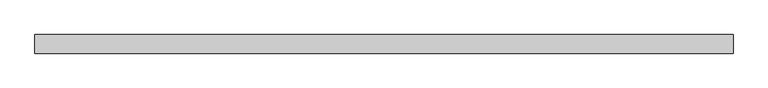
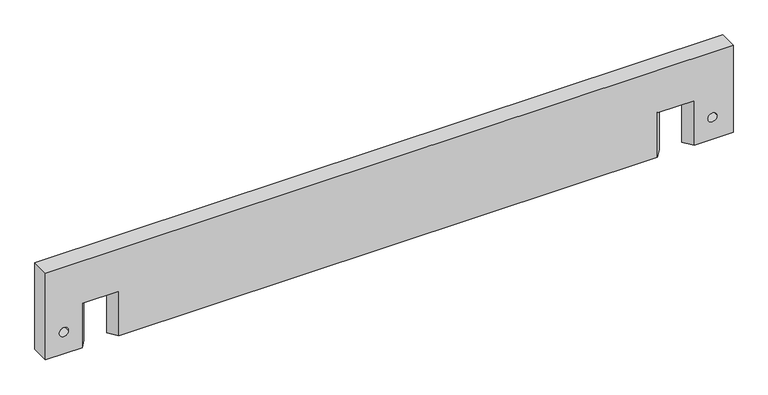
"""IFC4 building model written with IfcOpenShell, lengths in millimetres: proxy geometry."""

from ifc_helpers import new_model, si_unit, frame, origin, place, context, project, spatial, polyline, circle_curve, source, transform, mapped, element, save
from ifc_brep_helpers import plane_surface, revolved_surface, advanced_brep


def generic_models_4d159e47(model_context):
    return source(origin(), model_context, "Body", "AdvancedBrep", [
        advanced_brep(
        [(752.4620856, 20.0, 200.0), (-747.5379144, 20.0, 200.0), (-747.5379144, -20.0, 200.0), (752.4620856, -20.0, 200.0), (752.4620856, 20.0, 0.0), (752.4620856, -20.0, 0.0), (667.5379144, -20.0, 0.0), (652.4668334, 0.0, 0.0), (667.5379144, 20.0, 0.0), (-747.5379144, -20.0, 0.0), (-747.5379144, 20.0, 0.0), (-667.5379144, 20.0, 0.0), (-652.4668334, 0.0, 0.0), (-667.5379144, -20.0, 0.0), (-587.5379144, -20.0, 0.0), (-602.6089954, 0.0, 0.0), (-587.5379144, 20.0, 0.0), (587.5379144, 20.0, 0.0), (602.6089954, 0.0, 0.0), (587.5379144, -20.0, 0.0), (667.5379144, 20.0, 102.0), (587.5379144, 20.0, 102.0), (-587.5379144, 20.0, 102.0), (-667.5379144, 20.0, 102.0), (-717.5379144, 20.0, 50.0), (-697.5379144, 20.0, 50.0), (697.5379144, 20.0, 50.0), (717.5379144, 20.0, 50.0), (-667.5379144, -20.0, 102.0), (-587.5379144, -20.0, 102.0), (587.5379144, -20.0, 102.0), (667.5379144, -20.0, 102.0), (-697.5379144, -20.0, 50.0), (-717.5379144, -20.0, 50.0), (717.5379144, -20.0, 50.0), (697.5379144, -20.0, 50.0), (-602.6089954, 0.0, 102.0), (-652.4668334, 0.0, 102.0), (652.4668334, 0.0, 102.0), (602.6089954, 0.0, 102.0)],
        [
            (0, 1),
            (1, 2),
            (2, 3),
            (3, 0),
            (4, 5),
            (5, 6),
            (6, 7),
            (7, 8),
            (8, 4),
            (9, 10),
            (10, 11),
            (11, 12),
            (12, 13),
            (13, 9),
            (14, 15),
            (15, 16),
            (16, 17),
            (17, 18),
            (18, 19),
            (19, 14),
            (0, 4),
            (8, 20),
            (20, 21),
            (21, 17),
            (16, 22),
            (22, 23),
            (23, 11),
            (10, 1),
            (24, 25, circle_curve(frame((-707.5379144, 20.0, 50.0), z_axis=(0.0, -1.0, 0.0), x_axis=(1.0, 0.0, 0.0)), 10.0)),
            (25, 24, circle_curve(frame((-707.5379144, 20.0, 50.0), z_axis=(0.0, -1.0, 0.0), x_axis=(1.0, 0.0, 0.0)), 10.0)),
            (26, 27, circle_curve(frame((707.5379144, 20.0, 50.0), z_axis=(0.0, -1.0, 0.0), x_axis=(-1.0, 0.0, 0.0)), 10.0)),
            (27, 26, circle_curve(frame((707.5379144, 20.0, 50.0), z_axis=(0.0, -1.0, 0.0), x_axis=(-1.0, 0.0, 0.0)), 10.0)),
            (9, 2),
            (13, 28),
            (28, 29),
            (29, 14),
            (19, 30),
            (30, 31),
            (31, 6),
            (5, 3),
            (32, 33, circle_curve(frame((-707.5379144, -20.0, 50.0), z_axis=(0.0, 1.0, 0.0), x_axis=(1.0, 0.0, 0.0)), 10.0)),
            (33, 32, circle_curve(frame((-707.5379144, -20.0, 50.0), z_axis=(0.0, 1.0, 0.0), x_axis=(1.0, 0.0, 0.0)), 10.0)),
            (34, 35, circle_curve(frame((707.5379144, -20.0, 50.0), z_axis=(0.0, 1.0, 0.0), x_axis=(-1.0, 0.0, 0.0)), 10.0)),
            (35, 34, circle_curve(frame((707.5379144, -20.0, 50.0), z_axis=(0.0, 1.0, 0.0), x_axis=(-1.0, 0.0, 0.0)), 10.0)),
            (22, 36),
            (36, 29),
            (28, 37),
            (37, 23),
            (37, 12),
            (36, 15),
            (20, 38),
            (38, 31),
            (30, 39),
            (39, 21),
            (7, 38),
            (18, 39),
            (32, 25),
            (24, 33),
            (34, 27),
            (26, 35),
        ],
        [
            plane_surface(frame((-747.5379144, 20.0, 200.0), z_axis=(0.0, 0.0, 1.0), x_axis=(-1.0, 0.0, 0.0))),
            plane_surface(frame((-747.5379144, 20.0, 0.0), z_axis=(0.0, 0.0, -1.0), x_axis=(1.0, 0.0, 0.0))),
            plane_surface(frame((752.4620856, 20.0, 200.0), z_axis=(0.0, 1.0, 0.0), x_axis=(0.0, 0.0, -1.0))),
            plane_surface(frame((-747.5379144, 20.0, 200.0), z_axis=(-1.0, 0.0, 0.0), x_axis=(0.0, 0.0, -1.0))),
            plane_surface(frame((-747.5379144, -20.0, 200.0), z_axis=(0.0, -1.0, 0.0), x_axis=(0.0, 0.0, -1.0))),
            plane_surface(frame((752.4620856, -20.0, 200.0), z_axis=(1.0, 0.0, 0.0), x_axis=(0.0, 0.0, -1.0))),
            plane_surface(frame((-667.5379144, 20.0, 102.0), z_axis=(0.0, 0.0, -1.0), x_axis=(-1.0, 0.0, 0.0))),
            plane_surface(frame((-667.5379144, 20.0, 102.0), z_axis=(0.7986355100472906, 0.6018150231520514, 0.0), x_axis=(0.0, 0.0, -1.0))),
            plane_surface(frame((-652.4668334, 0.0, 102.0), z_axis=(0.7986355100472912, -0.6018150231520506, 0.0), x_axis=(0.0, 0.0, -1.0))),
            plane_surface(frame((-587.5379144, -20.0, 102.0), z_axis=(-0.7986355100472906, -0.6018150231520514, 0.0), x_axis=(0.0, 0.0, -1.0))),
            plane_surface(frame((-602.6089954, 0.0, 102.0), z_axis=(-0.7986355100472912, 0.6018150231520506, 0.0), x_axis=(0.0, 0.0, -1.0))),
            plane_surface(frame((587.5379144, 20.0, 102.0), z_axis=(0.0, 0.0, -1.0), x_axis=(0.6018150231520506, -0.7986355100472912, 0.0))),
            plane_surface(frame((652.4668334, 0.0, 102.0), z_axis=(-0.7986355100472906, 0.6018150231520514, 0.0), x_axis=(0.0, 0.0, -1.0))),
            plane_surface(frame((667.5379144, -20.0, 102.0), z_axis=(-0.7986355100472912, -0.6018150231520506, 0.0), x_axis=(0.0, 0.0, -1.0))),
            plane_surface(frame((602.6089954, 0.0, 102.0), z_axis=(0.7986355100472906, -0.6018150231520514, 0.0), x_axis=(0.0, 0.0, -1.0))),
            plane_surface(frame((587.5379144, 20.0, 102.0), z_axis=(0.7986355100472912, 0.6018150231520506, 0.0), x_axis=(0.0, 0.0, -1.0))),
            revolved_surface(polyline([(-697.5379144, -20.0, 50.0), (-697.5379144, 20.0, 50.0)]), (-707.5379144, 20.0, 50.0), (0.0, -1.0, 0.0)),
            revolved_surface(polyline([(697.5379144, -20.0, 50.0), (697.5379144, 20.0, 50.0)]), (707.5379144, 20.0, 50.0), (0.0, -1.0, 0.0)),
        ],
        [
            (0, [[1, 2, 3, 4]]),
            (1, [[5, 6, 7, 8, 9]]),
            (1, [[10, 11, 12, 13, 14]]),
            (1, [[15, 16, 17, 18, 19, 20]]),
            (2, [[-1, 21, -9, 22, 23, 24, -17, 25, 26, 27, -11, 28], [29, 30], [31, 32]]),
            (3, [[-2, -28, -10, 33]]),
            (4, [[-3, -33, -14, 34, 35, 36, -20, 37, 38, 39, -6, 40], [41, 42], [43, 44]]),
            (5, [[-4, -40, -5, -21]]),
            (6, [[45, 46, -35, 47, 48, -26]]),
            (7, [[-48, 49, -12, -27]]),
            (8, [[-47, -34, -13, -49]]),
            (9, [[-46, 50, -15, -36]]),
            (10, [[-45, -25, -16, -50]]),
            (11, [[51, 52, -38, 53, 54, -23]]),
            (12, [[-51, -22, -8, 55]]),
            (13, [[-52, -55, -7, -39]]),
            (14, [[-53, -37, -19, 56]]),
            (15, [[-54, -56, -18, -24]]),
            (16, [[57, -29, 58, -41]]),
            (16, [[-57, -42, -58, -30]]),
            (17, [[59, -31, 60, -43]]),
            (17, [[-59, -44, -60, -32]]),
        ],
    ),
    ])


if __name__ == "__main__":
    model = new_model("IFC4")
    model_context = context("Model", 3, world=origin())
    ifc_project = project(units=[si_unit("LENGTHUNIT", "METRE", prefix="MILLI")], contexts=[model_context])
    site = spatial("IfcSite", under=ifc_project)
    building = spatial("IfcBuilding", under=site)
    placement = place(None, origin())
    generic_models_shape = generic_models_4d159e47(model_context)
    element("IfcBuildingElementProxy", 1, Name="Generic Models", at=placement, inside=building, context=model_context, shape_type="MappedRepresentation", body=[
        mapped(generic_models_shape, transform((0.0, 0.0, 0.0), x_axis=(1.0, 0.0, 0.0), y_axis=(0.0, 1.0, 0.0), z_axis=(0.0, 0.0, 1.0))),
    ])
    save(model, "model.ifc")
